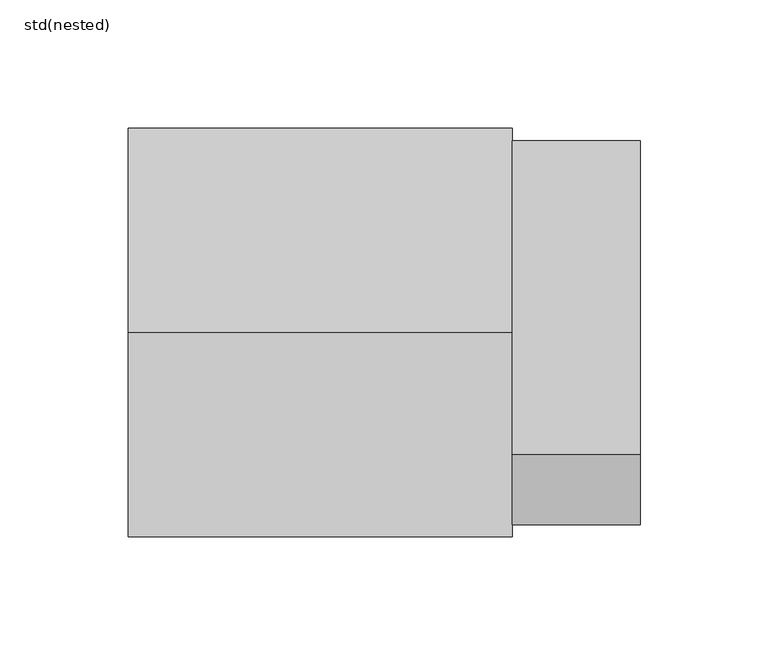
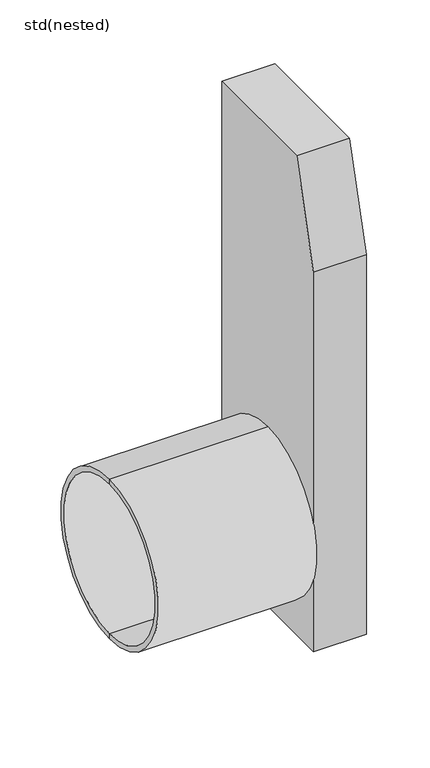
"""IFC4 building model written with IfcOpenShell, lengths in millimetres: sanitary terminal geometry, std(nested)."""

from ifc_helpers import new_model, si_unit, point, frame, frame_2d, origin, place, context, project, spatial, polyline, circle_curve, trimmed, segment, composite_curve, outline, extrude, source, transform, mapped, element, save
from ifc_brep_helpers import plane_surface, cylinder_surface, revolved_surface, advanced_brep


def std_nested_d9e0ae6a(model_context):
    return source(origin(), model_context, "Body", "SolidModel", [
        advanced_brep(
        [(-752.8529257, -625.4923488, -460.0), (-752.8529257, -625.4923488, -300.0), (-902.8529257, -625.4923488, -300.0), (-902.8529257, -625.4923488, -460.0), (-752.8529257, -625.4923488, -455.0), (-752.8529257, -625.4923488, -305.0), (-902.8529257, -625.4923488, -455.0), (-902.8529257, -625.4923488, -305.0)],
        [
            (0, 1, circle_curve(frame((-752.8529257, -625.4923488, -380.0), z_axis=(-1.0, 0.0, 0.0), x_axis=(0.0, 0.0, 1.0)), 80.0)),
            (1, 2),
            (2, 3, circle_curve(frame((-902.8529257, -625.4923488, -380.0), z_axis=(1.0, 0.0, 0.0), x_axis=(0.0, 0.0, 1.0)), 80.0)),
            (3, 0),
            (1, 0, circle_curve(frame((-752.8529257, -625.4923488, -380.0), z_axis=(-1.0, 0.0, 0.0), x_axis=(0.0, 0.0, 1.0)), 80.0)),
            (3, 2, circle_curve(frame((-902.8529257, -625.4923488, -380.0), z_axis=(1.0, 0.0, 0.0), x_axis=(0.0, 0.0, 1.0)), 80.0)),
            (4, 5, circle_curve(frame((-752.8529257, -625.4923488, -380.0), z_axis=(-1.0, 0.0, 0.0), x_axis=(0.0, 0.0, 1.0)), 75.0)),
            (5, 1),
            (0, 4),
            (5, 4, circle_curve(frame((-752.8529257, -625.4923488, -380.0), z_axis=(-1.0, 0.0, 0.0), x_axis=(0.0, 0.0, 1.0)), 75.0)),
            (6, 7, circle_curve(frame((-902.8529257, -625.4923488, -380.0), z_axis=(-1.0, 0.0, 0.0), x_axis=(0.0, 0.0, 1.0)), 75.0)),
            (7, 5),
            (4, 6),
            (7, 6, circle_curve(frame((-902.8529257, -625.4923488, -380.0), z_axis=(-1.0, 0.0, 0.0), x_axis=(0.0, 0.0, 1.0)), 75.0)),
            (2, 7),
            (6, 3),
        ],
        [
            cylinder_surface(frame((-757.9427735, -625.4923488, -380.0), z_axis=(1.0, 0.0, 0.0), x_axis=(0.0, 0.0, 1.0)), 80.0),
            plane_surface(frame((-752.8529257, -625.4923488, -380.0), z_axis=(1.0, 0.0, 0.0), x_axis=(0.0, 0.0, 1.0))),
            revolved_surface(polyline([(-752.8529257, -625.4923488, -305.0), (-902.8529257, -625.4923488, -305.0)]), (-757.9427735, -625.4923488, -380.0), (1.0, 0.0, 0.0)),
            plane_surface(frame((-902.8529257, -625.4923488, -380.0), z_axis=(-1.0, 0.0, 0.0), x_axis=(0.0, 0.0, 1.0))),
        ],
        [
            (0, [[1, 2, 3, 4]]),
            (0, [[5, -4, 6, -2]]),
            (1, [[7, 8, -1, 9]]),
            (1, [[10, -9, -5, -8]]),
            (2, [[11, 12, -7, 13]]),
            (2, [[14, -13, -10, -12]]),
            (3, [[-3, 15, -11, 16]]),
            (3, [[-6, -16, -14, -15]]),
        ],
    ),
        extrude(outline(polyline([(-550.4923488, -480.0), (-700.4923488, -480.0), (-700.4923488, -100.0), (-673.1182168, 0.0), (-550.4923488, 0.0), (-550.4923488, -480.0)]), holes=[composite_curve([segment(trimmed(circle_curve(frame_2d((-624.9923488, -380.0)), 70.0), [point((-554.9923488, -380.0))], [point((-694.9923488, -380.0))], True, "CARTESIAN"), True, "CONTINUOUS"), segment(trimmed(circle_curve(frame_2d((-624.9923488, -380.0)), 70.0), [point((-694.9923488, -380.0))], [point((-554.9923488, -380.0))], True, "CARTESIAN"), True, "CONTINUOUS")], self_intersect=False)]), frame((-752.8529257, 0.0, 0.0), z_axis=(1.0, 0.0, 0.0), x_axis=(0.0, 1.0, 0.0)), (0.0, 0.0, 1.0), 50.0),
    ])


if __name__ == "__main__":
    model = new_model("IFC4")
    model_context = context("Model", 3, world=origin())
    ifc_project = project(units=[si_unit("LENGTHUNIT", "METRE", prefix="MILLI")], contexts=[model_context])
    site = spatial("IfcSite", under=ifc_project)
    building = spatial("IfcBuilding", under=site)
    placement = place(None, origin())
    std_nested_shape = std_nested_d9e0ae6a(model_context)
    element("IfcSanitaryTerminal", 1, ObjectType="std(nested)", at=placement, inside=building, context=model_context, shape_type="MappedRepresentation", body=[
        mapped(std_nested_shape, transform((0.0, 0.0, 0.0), x_axis=(1.0, 0.0, 0.0), y_axis=(0.0, 1.0, 0.0), z_axis=(0.0, 0.0, 1.0))),
    ])
    save(model, "model.ifc")
